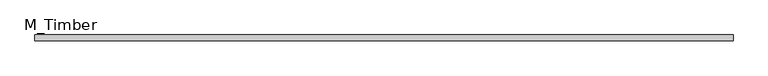
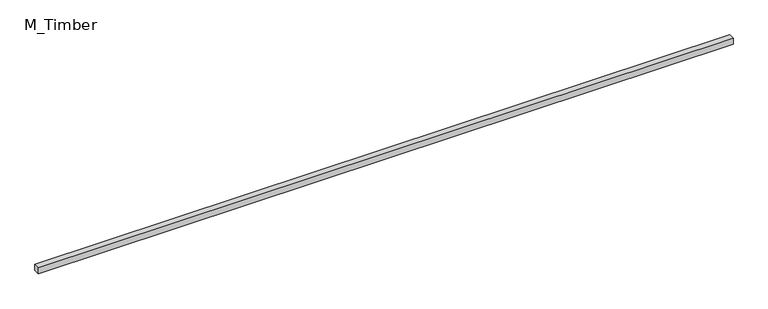
"""IFC4 building model written with IfcOpenShell, lengths in millimetres: beam geometry, M_Timber."""

from ifc_helpers import new_model, si_unit, frame, origin, place, context, project, spatial, polyline, outline, extrude, source, transform, mapped, element, save


def m_timber_8187daab(model_context):
    return source(origin(), model_context, "Body", "SweptSolid", [
        extrude(outline(polyline([(2303.0636975, 20.0), (2303.0636975, -20.0), (-2303.0636975, -20.0), (-2303.0636975, 20.0), (2303.0636975, 20.0)])), frame((0.0, 0.0, -20.0), z_axis=(0.0, 0.0, 1.0), x_axis=(1.0, 0.0, 0.0)), (0.0, 0.0, 1.0), 40.0),
    ])


if __name__ == "__main__":
    model = new_model("IFC4")
    model_context = context("Model", 3, world=origin())
    ifc_project = project(units=[si_unit("LENGTHUNIT", "METRE", prefix="MILLI")], contexts=[model_context])
    site = spatial("IfcSite", under=ifc_project)
    building = spatial("IfcBuilding", under=site)
    placement = place(None, origin())
    m_timber_shape = m_timber_8187daab(model_context)
    element("IfcBeam", 1, ObjectType="M_Timber", at=placement, inside=building, context=model_context, shape_type="MappedRepresentation", body=[
        mapped(m_timber_shape, transform((0.0, 0.0, 0.0), x_axis=(1.0, 0.0, 0.0), y_axis=(0.0, 1.0, 0.0), z_axis=(0.0, 0.0, 1.0))),
    ])
    save(model, "model.ifc")
